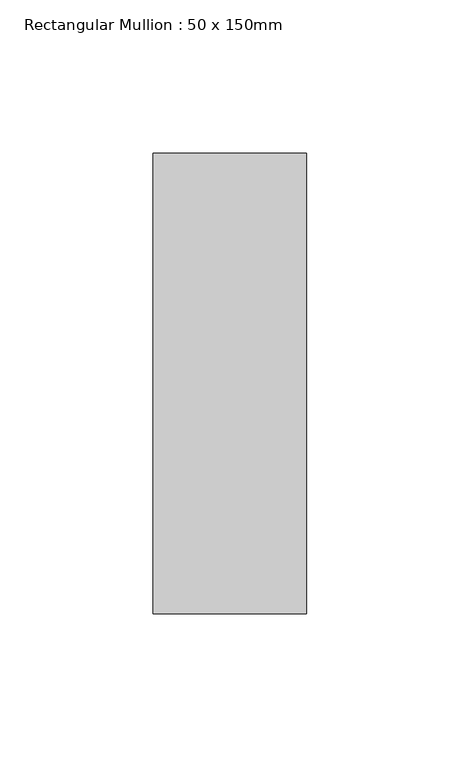
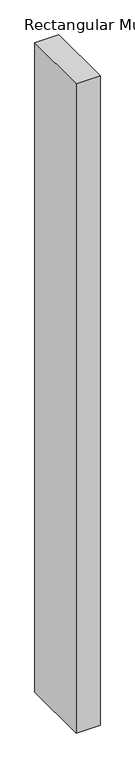
"""IFC4 building model written with IfcOpenShell, lengths in millimetres: member geometry, Rectangular Mullion : 50 x 150mm."""

from ifc_helpers import new_model, si_unit, frame, origin, place, context, project, spatial, polyline, outline, extrude, source, transform, mapped, element, save


def rectangular_mullion_50_x_150mm_ed6642cd(model_context):
    return source(origin(), model_context, "Body", "SweptSolid", [
        extrude(outline(polyline([(25.0, 75.0), (25.0, -75.0), (-25.0, -75.0), (-25.0, 75.0), (25.0, 75.0)])), frame((0.0, 0.0, -1439.6599226), z_axis=(0.0, 0.0, 1.0), x_axis=(1.0, 0.0, 0.0)), (0.0, 0.0, 1.0), 1439.6599226),
    ])


if __name__ == "__main__":
    model = new_model("IFC4")
    model_context = context("Model", 3, world=origin())
    ifc_project = project(units=[si_unit("LENGTHUNIT", "METRE", prefix="MILLI")], contexts=[model_context])
    site = spatial("IfcSite", under=ifc_project)
    building = spatial("IfcBuilding", under=site)
    placement = place(None, origin())
    rectangular_mullion_50_x_150mm_shape = rectangular_mullion_50_x_150mm_ed6642cd(model_context)
    element("IfcMember", 1, ObjectType="Rectangular Mullion : 50 x 150mm", at=placement, inside=building, context=model_context, shape_type="MappedRepresentation", body=[
        mapped(rectangular_mullion_50_x_150mm_shape, transform((0.0, 0.0, 0.0), x_axis=(1.0, 0.0, 0.0), y_axis=(0.0, 1.0, 0.0), z_axis=(0.0, 0.0, 1.0))),
    ])
    save(model, "model.ifc")
